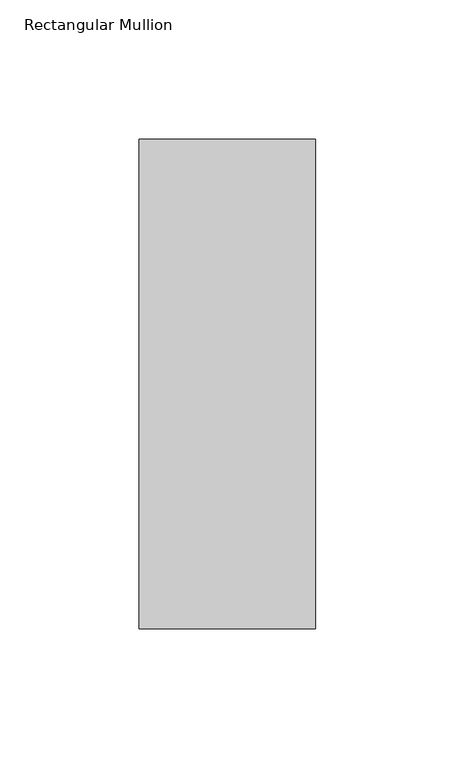
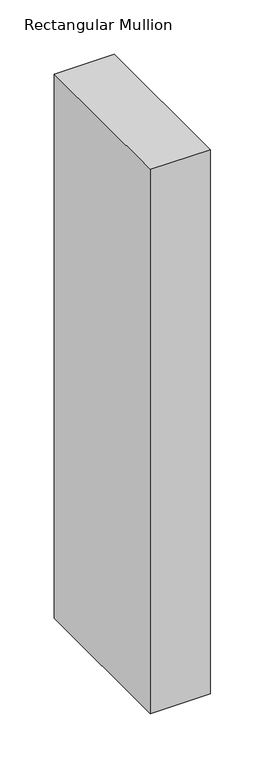
"""IFC4 building model written with IfcOpenShell, lengths in millimetres: member geometry, Rectangular Mullion."""

from ifc_helpers import new_model, si_unit, frame, origin, place, context, project, spatial, polyline, outline, extrude, source, transform, mapped, element, save


def rectangular_mullion_bbc786b3(model_context):
    return source(origin(), model_context, "Body", "SweptSolid", [
        extrude(outline(polyline([(-63.5, 222.5381312), (-5e-07, 222.5381313), (-5e-07, 46.7447302), (-63.5, 46.7447302), (-63.5, 222.5381312)])), frame((0.0, 0.0, -609.6), z_axis=(0.0, 0.0, 1.0), x_axis=(1.0, 0.0, 0.0)), (0.0, 0.0, 1.0), 609.6),
    ])


if __name__ == "__main__":
    model = new_model("IFC4")
    model_context = context("Model", 3, world=origin())
    ifc_project = project(units=[si_unit("LENGTHUNIT", "METRE", prefix="MILLI")], contexts=[model_context])
    site = spatial("IfcSite", under=ifc_project)
    building = spatial("IfcBuilding", under=site)
    placement = place(None, origin())
    rectangular_mullion_shape = rectangular_mullion_bbc786b3(model_context)
    element("IfcMember", 1, ObjectType="Rectangular Mullion", at=placement, inside=building, context=model_context, shape_type="MappedRepresentation", body=[
        mapped(rectangular_mullion_shape, transform((0.0, 0.0, 0.0), x_axis=(1.0, 0.0, 0.0), y_axis=(0.0, 1.0, 0.0), z_axis=(0.0, 0.0, 1.0))),
    ])
    save(model, "model.ifc")
